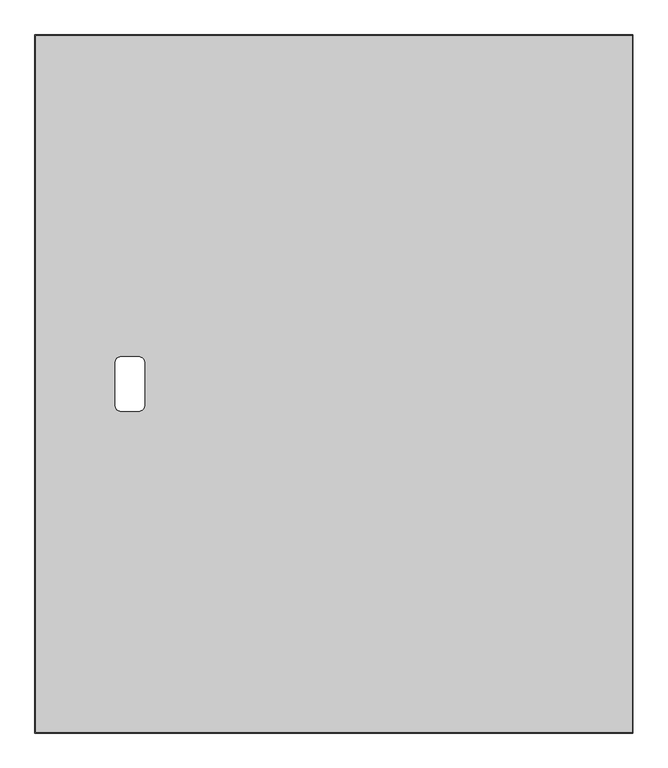
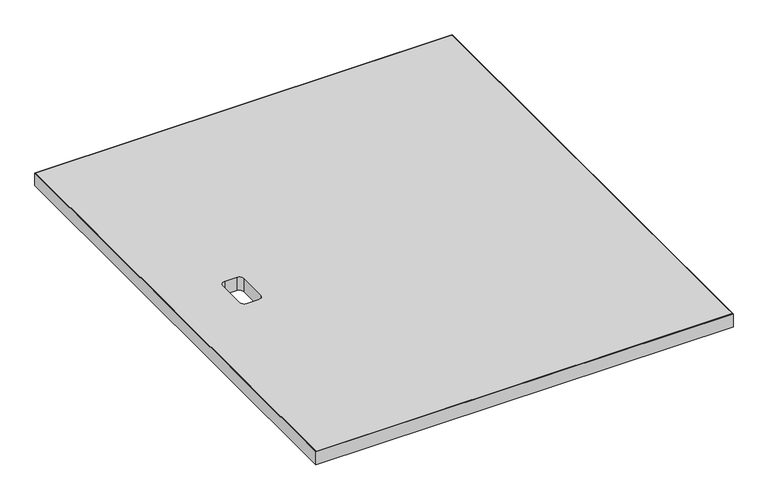
"""IFC4 building model written with IfcOpenShell, lengths in millimetres: furniture geometry."""

import ifcopenshell
import ifcopenshell.guid

model = None  # the IFC model being written
_history = None  # IfcOwnerHistory: only IFC2X3 demands one
_inside = {}  # id of a spatial element -> (the spatial element, [elements in it])
_under = {}  # id of a project, library or spatial element -> (it, [spatial elements below it])
_declared = {}  # id of a project -> (the project, [libraries it declares])
_typed = {}  # id of a type object -> (the type object, [elements of that type])
_made_of = {}  # id of a material, layer set ... -> (it, [elements and type objects made of it])


def new_model(schema):
    """Start an empty IFC model of exactly this schema.

    Asked for "IFC4X3", IfcOpenShell would pick the latest addendum, in which some entities
    have other attributes; the version numbers below select the first issue.
    IFC2X3 requires an IfcOwnerHistory on every rooted entity: one is made here for all.
    """
    global model, _history
    if schema == "IFC4X3":
        model = ifcopenshell.file(schema_version=(4, 3, 0, 0))
    else:
        model = ifcopenshell.file(schema=schema)
    _inside.clear()
    _under.clear()
    _declared.clear()
    _typed.clear()
    _made_of.clear()
    _history = None
    if model.schema == "IFC2X3":
        org = make("IfcOrganization", Name="unknown")
        user = make(
            "IfcPersonAndOrganization",
            ThePerson=make("IfcPerson", FamilyName="unknown"),
            TheOrganization=org,
        )
        app = make(
            "IfcApplication",
            ApplicationDeveloper=org,
            Version="unknown",
            ApplicationFullName="unknown",
            ApplicationIdentifier="unknown",
        )
        _history = make(
            "IfcOwnerHistory",
            OwningUser=user,
            OwningApplication=app,
            ChangeAction="ADDED",
            CreationDate=0,
        )
    return model


def make(cls, **values):
    """One entity of the class cls with the attributes given. An attribute that is None is left unset."""
    return model.create_entity(
        cls, **{name: value for name, value in values.items() if value is not None}
    )


def rooted(cls, **values):
    """An entity with a GlobalId (a new one), such as an element, a storey or a relation."""
    return make(cls, GlobalId=ifcopenshell.guid.new(), OwnerHistory=_history, **values)


def si_unit(unit_type, name, prefix=None):
    """IfcSIUnit, for example si_unit("LENGTHUNIT", "METRE", prefix="MILLI")."""
    return make("IfcSIUnit", UnitType=unit_type, Prefix=prefix, Name=name)


def assignment(units):
    """IfcUnitAssignment: the units of a project."""
    return None if units is None else make("IfcUnitAssignment", Units=units)


def point(xyz):
    """IfcCartesianPoint."""
    return None if xyz is None else make("IfcCartesianPoint", Coordinates=xyz)


def direction(xyz):
    """IfcDirection."""
    return None if xyz is None else make("IfcDirection", DirectionRatios=xyz)


def frame(location, z_axis=None, x_axis=None):
    """IfcAxis2Placement3D, a coordinate frame: its origin and axes. An axis left out is left unset."""
    return make(
        "IfcAxis2Placement3D",
        Location=point(location),
        Axis=direction(z_axis),
        RefDirection=direction(x_axis),
    )


def frame_2d(location, x_axis=None):
    """IfcAxis2Placement2D, a coordinate frame in the plane: its origin and x axis."""
    return make(
        "IfcAxis2Placement2D", Location=point(location), RefDirection=direction(x_axis)
    )


def origin():
    """The frame at (0, 0, 0) with its axes left unset."""
    return frame((0.0, 0.0, 0.0))


def place(relative_to, where):
    """IfcLocalPlacement: puts the frame where relative to a parent placement (None: the world)."""
    return make(
        "IfcLocalPlacement", PlacementRelTo=relative_to, RelativePlacement=where
    )


def context(
    kind, dimensions, precision=None, world=None, true_north=None, identifier=None
):
    """IfcGeometricRepresentationContext, for example the 3D "Model" context."""
    return make(
        "IfcGeometricRepresentationContext",
        ContextIdentifier=identifier,
        ContextType=kind,
        CoordinateSpaceDimension=dimensions,
        Precision=precision,
        WorldCoordinateSystem=world,
        TrueNorth=true_north,
    )


def project(units=None, contexts=None):
    """IfcProject with its units and contexts."""
    return rooted(
        "IfcProject",
        Name="project",
        RepresentationContexts=contexts,
        UnitsInContext=assignment(units),
    )


def spatial(cls, under=None, at=None, **own):
    """A site, building, storey or space (cls), placed at a placement, below another one or the project."""
    s = rooted(cls, ObjectPlacement=at, **own)
    if under is not None:
        _under.setdefault(under.id(), (under, []))[1].append(s)
    return s


def polyline(points):
    """IfcPolyline through the points."""
    return make("IfcPolyline", Points=[point(p) for p in points])


def circle_curve(where, radius):
    """IfcCircle in the frame where."""
    return make("IfcCircle", Position=where, Radius=radius)


def trimmed(basis, trim1, trim2, sense, master):
    """IfcTrimmedCurve: the piece of a basis curve between two trims."""
    return make(
        "IfcTrimmedCurve",
        BasisCurve=basis,
        Trim1=trim1,
        Trim2=trim2,
        SenseAgreement=sense,
        MasterRepresentation=master,
    )


def segment(curve, same_sense, transition):
    """IfcCompositeCurveSegment."""
    return make(
        "IfcCompositeCurveSegment",
        Transition=transition,
        SameSense=same_sense,
        ParentCurve=curve,
    )


def composite_curve(segments, self_intersect=None):
    """IfcCompositeCurve: segments joined end to end."""
    return make("IfcCompositeCurve", Segments=segments, SelfIntersect=self_intersect)


def outline(outer, holes=None, kind="AREA"):
    """IfcArbitraryClosedProfileDef: a profile drawn as a closed curve; with holes, ...WithVoids."""
    if holes is None:
        return make("IfcArbitraryClosedProfileDef", ProfileType=kind, OuterCurve=outer)
    return make(
        "IfcArbitraryProfileDefWithVoids",
        ProfileType=kind,
        OuterCurve=outer,
        InnerCurves=holes,
    )


def extrude(swept, where, along, depth):
    """IfcExtrudedAreaSolid: the profile swept, set in the frame where, extruded along a direction by depth."""
    return make(
        "IfcExtrudedAreaSolid",
        SweptArea=swept,
        Position=where,
        ExtrudedDirection=direction(along),
        Depth=depth,
    )


def shape(context_of_items, identifier, shape_type, items):
    """IfcShapeRepresentation: the items that make up one representation, for example the "Body"."""
    return make(
        "IfcShapeRepresentation",
        ContextOfItems=context_of_items,
        RepresentationIdentifier=identifier,
        RepresentationType=shape_type,
        Items=items,
    )


def source(mapping_origin, context_of_items, identifier, shape_type, items):
    """IfcRepresentationMap: a shape defined once, which mapped items show again and again."""
    return make(
        "IfcRepresentationMap",
        MappingOrigin=mapping_origin,
        MappedRepresentation=shape(context_of_items, identifier, shape_type, items),
    )


def transform(
    local_origin,
    x_axis=None,
    y_axis=None,
    z_axis=None,
    scale=None,
    scale2=None,
    scale3=None,
    uniform=True,
):
    """IfcCartesianTransformationOperator3D, or its non-uniform kind. x_axis, y_axis, z_axis: its Axis1, 2, 3."""
    if uniform:
        return make(
            "IfcCartesianTransformationOperator3D",
            Axis1=direction(x_axis),
            Axis2=direction(y_axis),
            LocalOrigin=point(local_origin),
            Scale=scale,
            Axis3=direction(z_axis),
        )
    return make(
        "IfcCartesianTransformationOperator3DnonUniform",
        Axis1=direction(x_axis),
        Axis2=direction(y_axis),
        LocalOrigin=point(local_origin),
        Scale=scale,
        Axis3=direction(z_axis),
        Scale2=scale2,
        Scale3=scale3,
    )


def mapped(mapping_source, mapping_target):
    """IfcMappedItem: shows the shape of a source again, moved by a transform."""
    return make(
        "IfcMappedItem", MappingSource=mapping_source, MappingTarget=mapping_target
    )


def made_of(thing, what):
    """Note that an element or type object is made of a material, layer set ...; save() writes the relation."""
    if what is not None:
        _made_of.setdefault(what.id(), (what, []))[1].append(thing)
    return thing


def element(
    cls,
    number,
    at=None,
    inside=None,
    cuts=None,
    type_object=None,
    material=None,
    context=None,
    identifier="Body",
    shape_type=None,
    held_by="IfcProductDefinitionShape",
    body=None,
    shapes=None,
    **own,
):
    """One element of the class cls, such as IfcWall. Its Tag is "e" and its number.

    at: its placement. inside: the storey or other place that contains it. cuts: it is an
    opening in that element (IfcRelVoidsElement). A single representation is given by context,
    identifier, shape_type and body (its items); several are given by shapes. held_by: the class
    of the entity that holds the representations. save() writes the other relations.
    """
    e = rooted(cls, Tag="e%d" % number, ObjectPlacement=at, **own)
    if body is not None:
        shapes = [shape(context, identifier, shape_type, body)]
    if shapes is not None:
        e.Representation = make(held_by, Representations=shapes)
    if inside is not None:
        _inside.setdefault(inside.id(), (inside, []))[1].append(e)
    if cuts is not None:
        rooted(
            "IfcRelVoidsElement", RelatingBuildingElement=cuts, RelatedOpeningElement=e
        )
    if type_object is not None:
        _typed.setdefault(type_object.id(), (type_object, []))[1].append(e)
    return made_of(e, material)


def aggregate(whole, parts):
    """IfcRelAggregates: a whole, such as a stair, and the parts it consists of."""
    return rooted("IfcRelAggregates", RelatingObject=whole, RelatedObjects=parts)


def save(model, path):
    """Write the relations noted so far, then the file.

    IfcRelAggregates (storeys below a building ...), IfcRelContainedInSpatialStructure (elements
    in a storey), IfcRelDefinesByType, IfcRelAssociatesMaterial and IfcRelDeclares: one each for
    every whole, place, type object, material and project.
    """
    for whole, parts in _under.values():
        aggregate(whole, parts)
    for where, things in _inside.values():
        rooted(
            "IfcRelContainedInSpatialStructure",
            RelatedElements=things,
            RelatingStructure=where,
        )
    for kind, things in _typed.values():
        rooted("IfcRelDefinesByType", RelatedObjects=things, RelatingType=kind)
    for what, things in _made_of.values():
        rooted("IfcRelAssociatesMaterial", RelatedObjects=things, RelatingMaterial=what)
    for by, libraries in _declared.values():
        rooted("IfcRelDeclares", RelatingContext=by, RelatedDefinitions=libraries)
    model.write(path)


def furniture_57c879ec(model_context):
    return source(origin(), model_context, "Body", "SweptSolid", [
        extrude(outline(polyline([(913.384, 1065.784), (913.384, 1.016), (1.016, 1.016), (1.016, 1065.784), (913.384, 1065.784)]), holes=[composite_curve([segment(polyline([(122.4280013, 565.6580056), (122.4280013, 501.1419944)]), True, "CONTINUOUS"), segment(trimmed(circle_curve(frame_2d((131.9530013, 501.1419944)), 9.525), [point((122.4280013, 501.1419944))], [point((131.9530013, 491.6169944))], True, "CARTESIAN"), True, "CONTINUOUS"), segment(polyline([(131.9530013, 491.6169944), (158.3690034, 491.6169944)]), True, "CONTINUOUS"), segment(trimmed(circle_curve(frame_2d((158.3690034, 501.1419944)), 9.525), [point((158.3690034, 491.6169944))], [point((167.8940034, 501.1419944))], True, "CARTESIAN"), True, "CONTINUOUS"), segment(polyline([(167.8940034, 501.1419944), (167.8940034, 565.6579874)]), True, "CONTINUOUS"), segment(trimmed(circle_curve(frame_2d((158.3690034, 565.6579874)), 9.525), [point((167.8940034, 565.6579874))], [point((158.3690034, 575.1829874))], True, "CARTESIAN"), True, "CONTINUOUS"), segment(polyline([(158.3690034, 575.1829874), (131.9529832, 575.1829874)]), True, "CONTINUOUS"), segment(trimmed(circle_curve(frame_2d((131.9529832, 565.6580056)), 9.5249818), [point((131.9529832, 575.1829874))], [point((122.4280013, 565.6580056))], True, "CARTESIAN"), True, "CONTINUOUS")], self_intersect=False)]), frame((0.0, 0.0, 697.2297529), z_axis=(0.0, 0.0, 1.0), x_axis=(1.0, 0.0, 0.0)), (0.0, 0.0, 1.0), 29.972),
        extrude(outline(polyline([(914.4, 0.0), (0.0, 0.0), (0.0, 1066.8), (914.4, 1066.8), (914.4, 0.0)]), holes=[polyline([(913.384, 1065.784), (1.016, 1065.784), (1.016, 1.016), (913.384, 1.016), (913.384, 1065.784)])]), frame((0.0, 0.0, 697.2297529), z_axis=(0.0, 0.0, 1.0), x_axis=(1.0, 0.0, 0.0)), (0.0, 0.0, 1.0), 29.972),
    ])


if __name__ == "__main__":
    model = new_model("IFC4")
    model_context = context("Model", 3, world=origin())
    ifc_project = project(units=[si_unit("LENGTHUNIT", "METRE", prefix="MILLI")], contexts=[model_context])
    site = spatial("IfcSite", under=ifc_project)
    building = spatial("IfcBuilding", under=site)
    placement = place(None, origin())
    furniture_shape = furniture_57c879ec(model_context)
    element("IfcFurniture", 1, at=placement, inside=building, context=model_context, shape_type="MappedRepresentation", body=[
        mapped(furniture_shape, transform((0.0, 0.0, 0.0), x_axis=(1.0, 0.0, 0.0), y_axis=(0.0, 1.0, 0.0), z_axis=(0.0, 0.0, 1.0))),
    ])
    save(model, "model.ifc")
